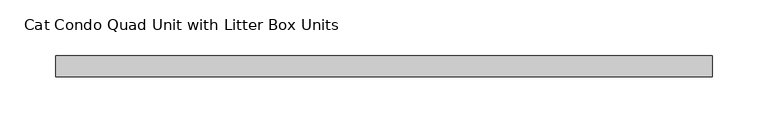
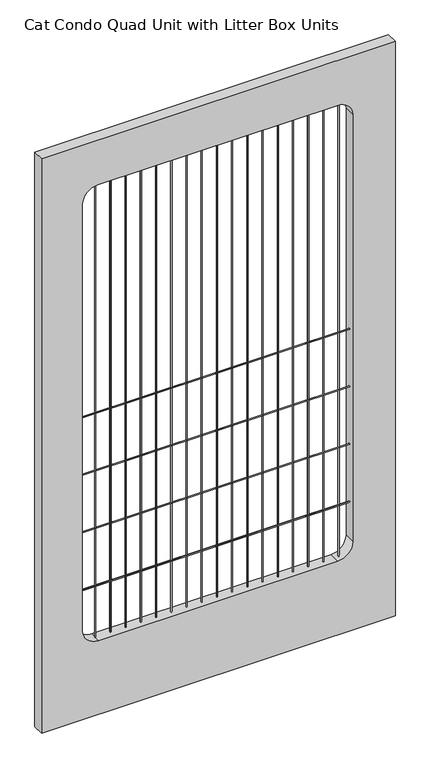
"""IFC4 building model written with IfcOpenShell, lengths in millimetres: proxy geometry, Cat Condo Quad Unit with Litter Box Units."""

from ifc_helpers import new_model, si_unit, point, frame, frame_2d, origin, place, context, project, spatial, polyline, circle_curve, trimmed, segment, composite_curve, outline, extrude, source, transform, mapped, element, save


def cat_condo_quad_unit_with_litter_box_units_7fa37b8c(model_context):
    return source(origin(), model_context, "Body", "SweptSolid", [
        extrude(outline(composite_curve([segment(trimmed(circle_curve(frame_2d((-9.6602248, 1639.8875)), 0.79375), [point((-9.6602248, 1640.68125))], [point((-9.6602248, 1639.09375))], False, "CARTESIAN"), True, "CONTINUOUS"), segment(trimmed(circle_curve(frame_2d((-9.6602248, 1639.8875)), 0.79375), [point((-9.6602248, 1639.09375))], [point((-9.6602248, 1640.68125))], False, "CARTESIAN"), True, "CONTINUOUS")], self_intersect=False)), frame((78.58125, 0.0, 0.0), z_axis=(1.0, 0.0, 0.0), x_axis=(0.0, 1.0, 0.0)), (0.0, 0.0, 1.0), 450.85),
        extrude(outline(composite_curve([segment(trimmed(circle_curve(frame_2d((-9.6602248, 1538.2875)), 0.79375), [point((-9.6602248, 1539.08125))], [point((-9.6602248, 1537.49375))], False, "CARTESIAN"), True, "CONTINUOUS"), segment(trimmed(circle_curve(frame_2d((-9.6602248, 1538.2875)), 0.79375), [point((-9.6602248, 1537.49375))], [point((-9.6602248, 1539.08125))], False, "CARTESIAN"), True, "CONTINUOUS")], self_intersect=False)), frame((78.58125, 0.0, 0.0), z_axis=(1.0, 0.0, 0.0), x_axis=(0.0, 1.0, 0.0)), (0.0, 0.0, 1.0), 450.85),
        extrude(outline(composite_curve([segment(trimmed(circle_curve(frame_2d((-9.6602248, 1436.6875)), 0.79375), [point((-9.6602248, 1437.48125))], [point((-9.6602248, 1435.89375))], False, "CARTESIAN"), True, "CONTINUOUS"), segment(trimmed(circle_curve(frame_2d((-9.6602248, 1436.6875)), 0.79375), [point((-9.6602248, 1435.89375))], [point((-9.6602248, 1437.48125))], False, "CARTESIAN"), True, "CONTINUOUS")], self_intersect=False)), frame((78.58125, 0.0, 0.0), z_axis=(1.0, 0.0, 0.0), x_axis=(0.0, 1.0, 0.0)), (0.0, 0.0, 1.0), 450.85),
        extrude(outline(composite_curve([segment(trimmed(circle_curve(frame_2d((-9.6602248, 1335.0875)), 0.79375), [point((-9.6602248, 1335.88125))], [point((-9.6602248, 1334.29375))], False, "CARTESIAN"), True, "CONTINUOUS"), segment(trimmed(circle_curve(frame_2d((-9.6602248, 1335.0875)), 0.79375), [point((-9.6602248, 1334.29375))], [point((-9.6602248, 1335.88125))], False, "CARTESIAN"), True, "CONTINUOUS")], self_intersect=False)), frame((78.58125, 0.0, 0.0), z_axis=(1.0, 0.0, 0.0), x_axis=(0.0, 1.0, 0.0)), (0.0, 0.0, 1.0), 450.85),
        extrude(outline(composite_curve([segment(trimmed(circle_curve(frame_2d((511.0919665, -9.6602248)), 0.79375), [point((510.2982165, -9.6602248))], [point((511.8857165, -9.6602248))], False, "CARTESIAN"), True, "CONTINUOUS"), segment(trimmed(circle_curve(frame_2d((511.0919665, -9.6602248)), 0.79375), [point((511.8857165, -9.6602248))], [point((510.2982165, -9.6602248))], False, "CARTESIAN"), True, "CONTINUOUS")], self_intersect=False)), frame((0.0, 0.0, 1244.6), z_axis=(0.0, 0.0, 1.0), x_axis=(1.0, 0.0, 0.0)), (0.0, 0.0, 1.0), 803.275),
        extrude(outline(composite_curve([segment(trimmed(circle_curve(frame_2d((485.6919665, -9.6602248)), 0.79375), [point((484.8982165, -9.6602248))], [point((486.4857165, -9.6602248))], False, "CARTESIAN"), True, "CONTINUOUS"), segment(trimmed(circle_curve(frame_2d((485.6919665, -9.6602248)), 0.79375), [point((486.4857165, -9.6602248))], [point((484.8982165, -9.6602248))], False, "CARTESIAN"), True, "CONTINUOUS")], self_intersect=False)), frame((0.0, 0.0, 1244.6), z_axis=(0.0, 0.0, 1.0), x_axis=(1.0, 0.0, 0.0)), (0.0, 0.0, 1.0), 803.275),
        extrude(outline(composite_curve([segment(trimmed(circle_curve(frame_2d((460.2919665, -9.6602248)), 0.79375), [point((459.4982165, -9.6602248))], [point((461.0857165, -9.6602248))], False, "CARTESIAN"), True, "CONTINUOUS"), segment(trimmed(circle_curve(frame_2d((460.2919665, -9.6602248)), 0.79375), [point((461.0857165, -9.6602248))], [point((459.4982165, -9.6602248))], False, "CARTESIAN"), True, "CONTINUOUS")], self_intersect=False)), frame((0.0, 0.0, 1244.6), z_axis=(0.0, 0.0, 1.0), x_axis=(1.0, 0.0, 0.0)), (0.0, 0.0, 1.0), 803.275),
        extrude(outline(composite_curve([segment(trimmed(circle_curve(frame_2d((434.8919665, -9.6602248)), 0.79375), [point((434.0982165, -9.6602248))], [point((435.6857165, -9.6602248))], False, "CARTESIAN"), True, "CONTINUOUS"), segment(trimmed(circle_curve(frame_2d((434.8919665, -9.6602248)), 0.79375), [point((435.6857165, -9.6602248))], [point((434.0982165, -9.6602248))], False, "CARTESIAN"), True, "CONTINUOUS")], self_intersect=False)), frame((0.0, 0.0, 1244.6), z_axis=(0.0, 0.0, 1.0), x_axis=(1.0, 0.0, 0.0)), (0.0, 0.0, 1.0), 803.275),
        extrude(outline(composite_curve([segment(trimmed(circle_curve(frame_2d((409.4919665, -9.6602248)), 0.79375), [point((408.6982165, -9.6602248))], [point((410.2857165, -9.6602248))], False, "CARTESIAN"), True, "CONTINUOUS"), segment(trimmed(circle_curve(frame_2d((409.4919665, -9.6602248)), 0.79375), [point((410.2857165, -9.6602248))], [point((408.6982165, -9.6602248))], False, "CARTESIAN"), True, "CONTINUOUS")], self_intersect=False)), frame((0.0, 0.0, 1244.6), z_axis=(0.0, 0.0, 1.0), x_axis=(1.0, 0.0, 0.0)), (0.0, 0.0, 1.0), 803.275),
        extrude(outline(composite_curve([segment(trimmed(circle_curve(frame_2d((384.0919665, -9.6602248)), 0.79375), [point((383.2982165, -9.6602248))], [point((384.8857165, -9.6602248))], False, "CARTESIAN"), True, "CONTINUOUS"), segment(trimmed(circle_curve(frame_2d((384.0919665, -9.6602248)), 0.79375), [point((384.8857165, -9.6602248))], [point((383.2982165, -9.6602248))], False, "CARTESIAN"), True, "CONTINUOUS")], self_intersect=False)), frame((0.0, 0.0, 1244.6), z_axis=(0.0, 0.0, 1.0), x_axis=(1.0, 0.0, 0.0)), (0.0, 0.0, 1.0), 803.275),
        extrude(outline(composite_curve([segment(trimmed(circle_curve(frame_2d((358.6919665, -9.6602248)), 0.79375), [point((357.8982165, -9.6602248))], [point((359.4857165, -9.6602248))], False, "CARTESIAN"), True, "CONTINUOUS"), segment(trimmed(circle_curve(frame_2d((358.6919665, -9.6602248)), 0.79375), [point((359.4857165, -9.6602248))], [point((357.8982165, -9.6602248))], False, "CARTESIAN"), True, "CONTINUOUS")], self_intersect=False)), frame((0.0, 0.0, 1244.6), z_axis=(0.0, 0.0, 1.0), x_axis=(1.0, 0.0, 0.0)), (0.0, 0.0, 1.0), 803.275),
        extrude(outline(composite_curve([segment(trimmed(circle_curve(frame_2d((333.2919665, -9.6602248)), 0.79375), [point((332.4982165, -9.6602248))], [point((334.0857165, -9.6602248))], False, "CARTESIAN"), True, "CONTINUOUS"), segment(trimmed(circle_curve(frame_2d((333.2919665, -9.6602248)), 0.79375), [point((334.0857165, -9.6602248))], [point((332.4982165, -9.6602248))], False, "CARTESIAN"), True, "CONTINUOUS")], self_intersect=False)), frame((0.0, 0.0, 1244.6), z_axis=(0.0, 0.0, 1.0), x_axis=(1.0, 0.0, 0.0)), (0.0, 0.0, 1.0), 803.275),
        extrude(outline(composite_curve([segment(trimmed(circle_curve(frame_2d((307.8919665, -9.6602248)), 0.79375), [point((307.0982165, -9.6602248))], [point((308.6857165, -9.6602248))], False, "CARTESIAN"), True, "CONTINUOUS"), segment(trimmed(circle_curve(frame_2d((307.8919665, -9.6602248)), 0.79375), [point((308.6857165, -9.6602248))], [point((307.0982165, -9.6602248))], False, "CARTESIAN"), True, "CONTINUOUS")], self_intersect=False)), frame((0.0, 0.0, 1244.6), z_axis=(0.0, 0.0, 1.0), x_axis=(1.0, 0.0, 0.0)), (0.0, 0.0, 1.0), 803.275),
        extrude(outline(composite_curve([segment(trimmed(circle_curve(frame_2d((282.4919665, -9.6602248)), 0.79375), [point((281.6982165, -9.6602248))], [point((283.2857165, -9.6602248))], False, "CARTESIAN"), True, "CONTINUOUS"), segment(trimmed(circle_curve(frame_2d((282.4919665, -9.6602248)), 0.79375), [point((283.2857165, -9.6602248))], [point((281.6982165, -9.6602248))], False, "CARTESIAN"), True, "CONTINUOUS")], self_intersect=False)), frame((0.0, 0.0, 1244.6), z_axis=(0.0, 0.0, 1.0), x_axis=(1.0, 0.0, 0.0)), (0.0, 0.0, 1.0), 803.275),
        extrude(outline(composite_curve([segment(trimmed(circle_curve(frame_2d((257.0919665, -9.6602248)), 0.79375), [point((256.2982165, -9.6602248))], [point((257.8857165, -9.6602248))], False, "CARTESIAN"), True, "CONTINUOUS"), segment(trimmed(circle_curve(frame_2d((257.0919665, -9.6602248)), 0.79375), [point((257.8857165, -9.6602248))], [point((256.2982165, -9.6602248))], False, "CARTESIAN"), True, "CONTINUOUS")], self_intersect=False)), frame((0.0, 0.0, 1244.6), z_axis=(0.0, 0.0, 1.0), x_axis=(1.0, 0.0, 0.0)), (0.0, 0.0, 1.0), 803.275),
        extrude(outline(composite_curve([segment(trimmed(circle_curve(frame_2d((231.6919665, -9.6602248)), 0.79375), [point((230.8982165, -9.6602248))], [point((232.4857165, -9.6602248))], False, "CARTESIAN"), True, "CONTINUOUS"), segment(trimmed(circle_curve(frame_2d((231.6919665, -9.6602248)), 0.79375), [point((232.4857165, -9.6602248))], [point((230.8982165, -9.6602248))], False, "CARTESIAN"), True, "CONTINUOUS")], self_intersect=False)), frame((0.0, 0.0, 1244.6), z_axis=(0.0, 0.0, 1.0), x_axis=(1.0, 0.0, 0.0)), (0.0, 0.0, 1.0), 803.275),
        extrude(outline(composite_curve([segment(trimmed(circle_curve(frame_2d((206.2919665, -9.6602248)), 0.79375), [point((205.4982165, -9.6602248))], [point((207.0857165, -9.6602248))], False, "CARTESIAN"), True, "CONTINUOUS"), segment(trimmed(circle_curve(frame_2d((206.2919665, -9.6602248)), 0.79375), [point((207.0857165, -9.6602248))], [point((205.4982165, -9.6602248))], False, "CARTESIAN"), True, "CONTINUOUS")], self_intersect=False)), frame((0.0, 0.0, 1244.6), z_axis=(0.0, 0.0, 1.0), x_axis=(1.0, 0.0, 0.0)), (0.0, 0.0, 1.0), 803.275),
        extrude(outline(composite_curve([segment(trimmed(circle_curve(frame_2d((180.8919665, -9.6602248)), 0.79375), [point((180.0982165, -9.6602248))], [point((181.6857165, -9.6602248))], False, "CARTESIAN"), True, "CONTINUOUS"), segment(trimmed(circle_curve(frame_2d((180.8919665, -9.6602248)), 0.79375), [point((181.6857165, -9.6602248))], [point((180.0982165, -9.6602248))], False, "CARTESIAN"), True, "CONTINUOUS")], self_intersect=False)), frame((0.0, 0.0, 1244.6), z_axis=(0.0, 0.0, 1.0), x_axis=(1.0, 0.0, 0.0)), (0.0, 0.0, 1.0), 803.275),
        extrude(outline(composite_curve([segment(trimmed(circle_curve(frame_2d((155.4919665, -9.6602248)), 0.79375), [point((154.6982165, -9.6602248))], [point((156.2857165, -9.6602248))], False, "CARTESIAN"), True, "CONTINUOUS"), segment(trimmed(circle_curve(frame_2d((155.4919665, -9.6602248)), 0.79375), [point((156.2857165, -9.6602248))], [point((154.6982165, -9.6602248))], False, "CARTESIAN"), True, "CONTINUOUS")], self_intersect=False)), frame((0.0, 0.0, 1244.6), z_axis=(0.0, 0.0, 1.0), x_axis=(1.0, 0.0, 0.0)), (0.0, 0.0, 1.0), 803.275),
        extrude(outline(composite_curve([segment(trimmed(circle_curve(frame_2d((130.0919665, -9.6602248)), 0.79375), [point((129.2982165, -9.6602248))], [point((130.8857165, -9.6602248))], False, "CARTESIAN"), True, "CONTINUOUS"), segment(trimmed(circle_curve(frame_2d((130.0919665, -9.6602248)), 0.79375), [point((130.8857165, -9.6602248))], [point((129.2982165, -9.6602248))], False, "CARTESIAN"), True, "CONTINUOUS")], self_intersect=False)), frame((0.0, 0.0, 1244.6), z_axis=(0.0, 0.0, 1.0), x_axis=(1.0, 0.0, 0.0)), (0.0, 0.0, 1.0), 803.275),
        extrude(outline(composite_curve([segment(trimmed(circle_curve(frame_2d((104.6919665, -9.6602248)), 0.79375), [point((103.8982165, -9.6602248))], [point((105.4857165, -9.6602248))], False, "CARTESIAN"), True, "CONTINUOUS"), segment(trimmed(circle_curve(frame_2d((104.6919665, -9.6602248)), 0.79375), [point((105.4857165, -9.6602248))], [point((103.8982165, -9.6602248))], False, "CARTESIAN"), True, "CONTINUOUS")], self_intersect=False)), frame((0.0, 0.0, 1244.6), z_axis=(0.0, 0.0, 1.0), x_axis=(1.0, 0.0, 0.0)), (0.0, 0.0, 1.0), 803.275),
        extrude(outline(polyline([(2127.25, 600.075), (2127.25, 9.525), (1114.425, 9.525), (1114.425, 600.075), (2127.25, 600.075)]), holes=[composite_curve([segment(polyline([(2047.875, 103.98125), (2047.875, 504.03125)]), True, "CONTINUOUS"), segment(trimmed(circle_curve(frame_2d((2022.475, 504.03125)), 25.4), [point((2047.875, 504.03125))], [point((2022.475, 529.43125))], True, "CARTESIAN"), True, "CONTINUOUS"), segment(polyline([(2022.475, 529.43125), (1270.0, 529.43125)]), True, "CONTINUOUS"), segment(trimmed(circle_curve(frame_2d((1270.0, 504.03125)), 25.4), [point((1270.0, 529.43125))], [point((1244.6, 504.03125))], True, "CARTESIAN"), True, "CONTINUOUS"), segment(polyline([(1244.6, 504.03125), (1244.6, 103.98125)]), True, "CONTINUOUS"), segment(trimmed(circle_curve(frame_2d((1270.0, 103.98125)), 25.4), [point((1244.6, 103.98125))], [point((1270.0, 78.58125))], True, "CARTESIAN"), True, "CONTINUOUS"), segment(polyline([(1270.0, 78.58125), (2022.475, 78.58125)]), True, "CONTINUOUS"), segment(trimmed(circle_curve(frame_2d((2022.475, 103.98125)), 25.4), [point((2022.475, 78.58125))], [point((2047.875, 103.98125))], True, "CARTESIAN"), True, "CONTINUOUS")], self_intersect=False)]), frame((0.0, -19.05, 0.0), z_axis=(0.0, 1.0, 0.0), x_axis=(0.0, 0.0, 1.0)), (0.0, 0.0, 1.0), 19.05),
    ])


if __name__ == "__main__":
    model = new_model("IFC4")
    model_context = context("Model", 3, world=origin())
    ifc_project = project(units=[si_unit("LENGTHUNIT", "METRE", prefix="MILLI")], contexts=[model_context])
    site = spatial("IfcSite", under=ifc_project)
    building = spatial("IfcBuilding", under=site)
    placement = place(None, origin())
    cat_condo_quad_unit_with_litter_box_units_shape = cat_condo_quad_unit_with_litter_box_units_7fa37b8c(model_context)
    element("IfcBuildingElementProxy", 1, Name="Cat Condo Quad Unit with Litter Box Units", ObjectType="Cat Condo Quad Unit with Litter Box Units", at=placement, inside=building, context=model_context, shape_type="MappedRepresentation", body=[
        mapped(cat_condo_quad_unit_with_litter_box_units_shape, transform((0.0, 0.0, 0.0), x_axis=(1.0, 0.0, 0.0), y_axis=(0.0, 1.0, 0.0), z_axis=(0.0, 0.0, 1.0))),
    ])
    save(model, "model.ifc")
